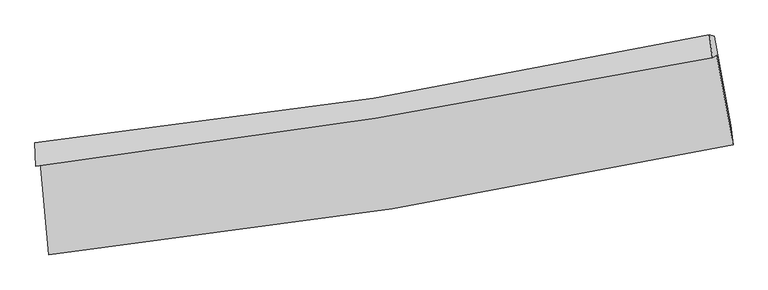
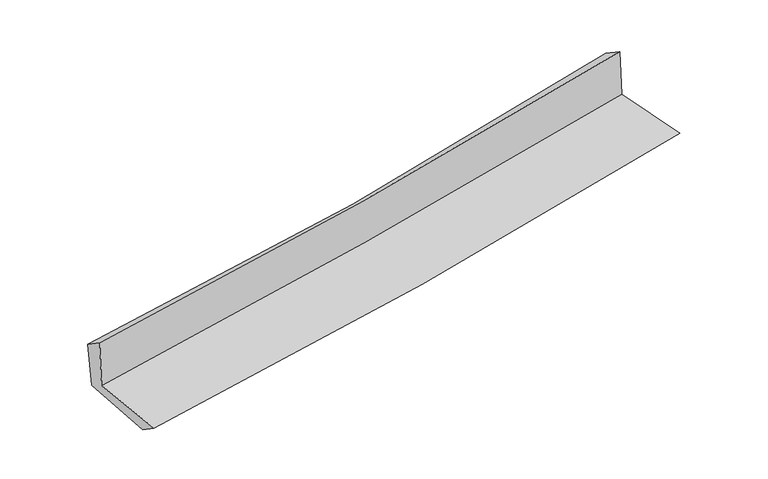
"""IFC4 building model written with IfcOpenShell, lengths in millimetres: proxy geometry."""

from ifc_helpers import new_model, si_unit, frame, origin, place, context, project, spatial, source, transform, mapped, element, save
from ifc_brep_helpers import plane_surface, spline_curve, spline_surface, advanced_brep


def generic_models_6b7efc74(model_context):
    return source(origin(), model_context, "Body", "AdvancedBrep", [
        advanced_brep(
        [(-2469.6507335, -1866.6091293, 1654.8077501), (-2408.2598171, -2534.5635867, 1654.3866055), (2540.4101641, -1741.5998235, 2104.9999638), (2421.9925244, -1092.2127784, 2103.9617443), (-2501.5730633, -1894.6408411, 2072.3045437), (2390.9085093, -1112.8262977, 2510.6969618), (-2507.5477436, -1724.8224828, 1955.8283534), (2369.7075101, -946.1351063, 2403.0950162), (-2475.7484365, -1733.3492088, 1580.461716), (2404.9291219, -954.7930127, 2010.4150885), (-2413.8552155, -2378.0339661, 1548.0930487), (2525.1414792, -1600.3947123, 1982.4413999)],
        [
            (0, 1),
            (1, 2, spline_curve(3, [(-2408.2598171, -2534.5635867, 1654.3866055), (-1576.319967682, -2444.563696714, 1732.141745417), (-748.053602618, -2333.503208829, 1808.562212021), (901.506392919, -2069.201075031, 1958.767876777), (1722.796688206, -1915.940308572, 2032.551862541), (2540.4101641, -1741.5998235, 2104.9999638)], [4, 2, 4], [0.0, 8.206637087543005, 16.41699868191113])),
            (2, 3),
            (3, 0, spline_curve(3, [(2421.9925244, -1092.2127784, 2103.9617443), (1610.925856465, -1251.823920476, 2033.043337404), (797.662606186, -1396.173699816, 1960.145693726), (-832.88713912, -1654.291973769, 1810.425900443), (-1650.171641046, -1768.074311575, 1733.605545994), (-2469.6507335, -1866.6091293, 1654.8077501)], [4, 2, 4], [0.0, 8.210361594368127, 16.41699868191113])),
            (4, 0),
            (3, 5),
            (5, 4, spline_curve(3, [(2390.9085093, -1112.8262977, 2510.6969618), (1580.482798446, -1273.182071992, 2432.93445315), (767.470062398, -1418.522546174, 2357.512740246), (-863.359475056, -1679.113774174, 2211.384057211), (-1681.173929866, -1794.37814783, 2140.674964318), (-2501.5730633, -1894.6408411, 2072.3045437)], [4, 2, 4], [0.0, 8.161934767288464, 16.320166995852222])),
            (6, 4),
            (5, 7),
            (7, 6, spline_curve(3, [(2369.7075101, -946.1351063, 2403.0950162), (1563.848964993, -1122.023603231, 2322.998636592), (754.388729256, -1274.867961231, 2245.670396872), (-871.366288764, -1534.409517455, 2096.584020193), (-1687.657804682, -1641.127618351, 2024.823372342), (-2507.5477436, -1724.8224828, 1955.8283534)], [4, 2, 4], [0.0, 8.151769966625274, 16.299842005634503])),
            (8, 6),
            (7, 9),
            (9, 8, spline_curve(3, [(2404.9291219, -954.7930127, 2010.4150885), (1598.01069321, -1130.539802598, 1939.056966229), (787.735314667, -1283.302386233, 1867.5402928), (-839.160249621, -1542.800270361, 1724.222358386), (-1655.7773907, -1649.556418527, 1652.421240782), (-2475.7484365, -1733.3492088, 1580.461716)], [4, 2, 4], [0.0, 8.1423762536074, 16.281058840915122])),
            (10, 8),
            (9, 11),
            (11, 10, spline_curve(3, [(2525.1414792, -1600.3947123, 1982.4413999), (1708.583164696, -1770.189464586, 1910.70066114), (888.626803494, -1919.900258475, 1838.626308301), (-757.708510173, -2179.095125664, 1693.843222082), (-1584.084380571, -2288.597416437, 1621.134790837), (-2413.8552155, -2378.0339661, 1548.0930487)], [4, 2, 4], [0.0, 8.190645649790822, 16.377575736597702])),
            (1, 10),
            (11, 2),
        ],
        [
            spline_surface(3, 3, [[(-2469.6507335, -1866.6091293, 1654.8077501), (-1650.171641178, -1768.074311466, 1733.605545908), (-832.887139011, -1654.29197376, 1810.425900404), (797.662606077, -1396.173699825, 1960.145693764), (1610.925856517, -1251.82392057, 2033.043337337), (2421.9925244, -1092.2127784, 2103.9617443)], [(-2449.187094697, -2089.26061511, 1654.667368565), (-1625.554416673, -1993.570773228, 1733.1176124), (-804.609293521, -1880.695718759, 1809.804670987), (832.277201712, -1620.516158222, 1959.686421402), (1648.216133756, -1473.196049923, 2032.87951246), (2461.46507097, -1308.675126785, 2104.307817493)], [(-2428.723455903, -2311.91210089, 1654.526987035), (-1600.937192178, -2219.067234962, 1732.629678895), (-776.331448101, -2107.0994638, 1809.183441553), (866.891797278, -1844.858616663, 1959.227149024), (1685.506410985, -1694.56817922, 2032.715687503), (2500.93761753, -1525.137475115, 2104.653890607)], [(-2408.2598171, -2534.5635867, 1654.3866055), (-1576.319967673, -2444.563696724, 1732.141745386), (-748.053602611, -2333.503208799, 1808.562212136), (901.506392913, -2069.20107506, 1958.767876662), (1722.796688225, -1915.940308573, 2032.551862626), (2540.4101641, -1741.5998235, 2104.9999638)]], [4, 4], [4, 2, 4], [0.0, 2.2397317179617433], [0.0, 8.206637087543005, 16.41699868191113]),
            spline_surface(3, 3, [[(-2501.5730633, -1894.6408411, 2072.3045437), (-1681.173929945, -1794.378147805, 2140.674964322), (-863.359475053, -1679.113774161, 2211.384057339), (767.470062395, -1418.522546187, 2357.512740118), (1580.482798402, -1273.182072058, 2432.934453139), (2390.9085093, -1112.8262977, 2510.6969618)], [(-2490.93228672, -1885.296937163, 1933.138945809), (-1670.839833709, -1785.610202355, 2004.98515816), (-853.20202973, -1670.839840705, 2077.731338363), (777.534243598, -1411.072930744, 2225.057058003), (1590.63048445, -1266.062688235, 2299.637414515), (2401.269847676, -1105.955124606, 2375.118555943)], [(-2480.29151008, -1875.953033237, 1793.973347991), (-1660.505737414, -1776.842256916, 1869.295352071), (-843.044584334, -1662.565907217, 1944.07861938), (787.598424874, -1403.623315268, 2092.60137588), (1600.778170469, -1258.943304393, 2166.340375962), (2411.631186024, -1099.083951494, 2239.540150157)], [(-2469.6507335, -1866.6091293, 1654.8077501), (-1650.171641178, -1768.074311466, 1733.605545908), (-832.887139011, -1654.29197376, 1810.425900404), (797.662606077, -1396.173699825, 1960.145693764), (1610.925856517, -1251.82392057, 2033.043337337), (2421.9925244, -1092.2127784, 2103.9617443)]], [4, 4], [4, 2, 4], [0.0, 1.3156389975678628], [0.0, 8.158232228563758, 16.320166995852222]),
            spline_surface(3, 3, [[(-2507.5477436, -1724.8224828, 1955.8283534), (-1687.657804558, -1641.127618341, 2024.823372324), (-871.36628886, -1534.409517496, 2096.58402016), (754.388729352, -1274.867961191, 2245.670396906), (1563.848964858, -1122.023603167, 2322.998636617), (2369.7075101, -946.1351063, 2403.0950162)], [(-2505.556183472, -1781.428602243, 1994.653750191), (-1685.496512992, -1692.211128172, 2063.440569681), (-868.69735091, -1582.644269727, 2134.850699219), (758.749173714, -1322.752822865, 2282.951177977), (1569.393576037, -1172.409759443, 2359.643908786), (2376.774509831, -1001.698836745, 2438.962331395)], [(-2503.564623428, -1838.034721657, 2033.479146909), (-1683.335221511, -1743.294637974, 2102.057766965), (-866.028413003, -1630.87902193, 2173.117378279), (763.109618033, -1370.637684513, 2320.231959047), (1574.938187223, -1222.795915782, 2396.28918097), (2383.841509569, -1057.262567255, 2474.829646605)], [(-2501.5730633, -1894.6408411, 2072.3045437), (-1681.173929945, -1794.378147805, 2140.674964322), (-863.359475053, -1679.113774161, 2211.384057339), (767.470062395, -1418.522546187, 2357.512740118), (1580.482798402, -1273.182072058, 2432.934453139), (2390.9085093, -1112.8262977, 2510.6969618)]], [4, 4], [4, 2, 4], [0.0, 0.6026428594117333], [0.0, 8.148072039009229, 16.299842005634503]),
            spline_surface(3, 3, [[(-2475.7484365, -1733.3492088, 1580.461716), (-1655.777390686, -1649.55641841, 1652.421240756), (-839.160249704, -1542.800270239, 1724.222358269), (787.73531475, -1283.302386356, 1867.540292917), (1598.010693197, -1130.539802488, 1939.05696624), (2404.9291219, -954.7930127, 2010.4150885)], [(-2486.348205543, -1730.506966789, 1705.583928444), (-1666.40419532, -1646.746818376, 1776.555284589), (-849.895596091, -1540.00335265, 1848.342912248), (776.619786283, -1280.490911293, 1993.583660929), (1586.623450403, -1127.701069385, 2067.037523038), (2393.188584619, -951.907043904, 2141.308397739)], [(-2496.947974557, -1727.664724811, 1830.706140956), (-1677.030999924, -1643.937218375, 1900.689328491), (-860.630942473, -1537.206435084, 1972.46346618), (765.504257819, -1277.679436253, 2119.627028894), (1575.236207652, -1124.86233627, 2195.018079819), (2381.448047381, -949.021075096, 2272.201706961)], [(-2507.5477436, -1724.8224828, 1955.8283534), (-1687.657804558, -1641.127618341, 2024.823372324), (-871.36628886, -1534.409517496, 2096.58402016), (754.388729352, -1274.867961191, 2245.670396906), (1563.848964858, -1122.023603167, 2322.998636617), (2369.7075101, -946.1351063, 2403.0950162)]], [4, 4], [4, 2, 4], [0.0, 1.2361216019461077], [0.0, 8.138682587307722, 16.281058840915122]),
            spline_surface(3, 3, [[(-2413.8552155, -2378.0339661, 1548.0930487), (-1584.084380572, -2288.597416472, 1621.134790946), (-757.708510256, -2179.095125653, 1693.843222027), (888.626803577, -1919.900258486, 1838.626308356), (1708.583164787, -1770.189464714, 1910.700661036), (2525.1414792, -1600.3947123, 1982.4413999)], [(-2434.486289166, -2163.139047005, 1558.882604462), (-1607.982050609, -2075.583750457, 1631.563607545), (-784.859090071, -1966.996840514, 1703.96960077), (854.996307303, -1707.700967775, 1848.264303205), (1671.725674256, -1556.972910651, 1920.152762778), (2485.070693432, -1385.194145779, 1991.765962774)], [(-2455.117362834, -1948.244127895, 1569.672160238), (-1631.879720649, -1862.570084425, 1641.992424158), (-812.00966989, -1754.898555378, 1714.095979526), (821.365811024, -1495.501677067, 1857.902298067), (1634.868183728, -1343.756356551, 1929.604864498), (2444.999907668, -1169.993579221, 2001.090525626)], [(-2475.7484365, -1733.3492088, 1580.461716), (-1655.777390686, -1649.55641841, 1652.421240756), (-839.160249704, -1542.800270239, 1724.222358269), (787.73531475, -1283.302386356, 1867.540292917), (1598.010693197, -1130.539802488, 1939.05696624), (2404.9291219, -954.7930127, 2010.4150885)]], [4, 4], [4, 2, 4], [0.0, 2.1116379372921448], [0.0, 8.18693008680688, 16.377575736597702]),
            spline_surface(3, 3, [[(-2408.2598171, -2534.5635867, 1654.3866055), (-1576.319967673, -2444.563696724, 1732.141745386), (-748.053602611, -2333.503208799, 1808.562212136), (901.506392913, -2069.20107506, 1958.767876662), (1722.796688225, -1915.940308573, 2032.551862626), (2540.4101641, -1741.5998235, 2104.9999638)], [(-2410.124949903, -2482.38704649, 1618.955419929), (-1578.908105309, -2392.57493663, 1695.139427269), (-751.271905173, -2282.033847754, 1770.322548747), (897.213196454, -2019.434136206, 1918.720687207), (1718.058847083, -1867.356693933, 1991.934795419), (2535.320602471, -1694.53145308, 2064.147109156)], [(-2411.990082697, -2430.21050631, 1583.524234271), (-1581.496242936, -2340.586176566, 1658.137109063), (-754.490207695, -2230.564486698, 1732.082885416), (892.920000036, -1969.667197341, 1878.673497811), (1713.321005928, -1818.773079354, 1951.317728243), (2530.231040829, -1647.46308272, 2023.294254544)], [(-2413.8552155, -2378.0339661, 1548.0930487), (-1584.084380572, -2288.597416472, 1621.134790946), (-757.708510256, -2179.095125653, 1693.843222027), (888.626803577, -1919.900258486, 1838.626308356), (1708.583164787, -1770.189464714, 1910.700661036), (2525.1414792, -1600.3947123, 1982.4413999)]], [4, 4], [4, 2, 4], [0.0, 0.6308821270713569], [0.0, 8.244819604614635, 16.493381044838877]),
            plane_surface(frame((2442.1815515, -1241.3269551, 2185.9350291), z_axis=(0.9802780421128151, 0.17889085548412054, 0.08398227179366878), x_axis=(-0.08931528974443759, 0.021954799260599456, 0.9957614000388316))),
            plane_surface(frame((-2462.7725016, -2022.0032025, 1744.3136696), z_axis=(-0.9924537035460312, -0.09116356008113748, -0.08200519270814151), x_axis=(-0.0915230719784606, 0.9958027581286919, 0.0006278526225655435))),
        ],
        [
            (0, [[1, 2, 3, 4]]),
            (1, [[5, -4, 6, 7]]),
            (2, [[8, -7, 9, 10]]),
            (3, [[11, -10, 12, 13]]),
            (4, [[14, -13, 15, 16]]),
            (5, [[17, -16, 18, -2]]),
            (6, [[-12, -9, -6, -3, -18, -15]]),
            (7, [[-1, -5, -8, -11, -14, -17]]),
        ],
    ),
    ])


if __name__ == "__main__":
    model = new_model("IFC4")
    model_context = context("Model", 3, world=origin())
    ifc_project = project(units=[si_unit("LENGTHUNIT", "METRE", prefix="MILLI")], contexts=[model_context])
    site = spatial("IfcSite", under=ifc_project)
    building = spatial("IfcBuilding", under=site)
    placement = place(None, origin())
    generic_models_shape = generic_models_6b7efc74(model_context)
    element("IfcBuildingElementProxy", 1, Name="Generic Models", at=placement, inside=building, context=model_context, shape_type="MappedRepresentation", body=[
        mapped(generic_models_shape, transform((0.0, 0.0, 0.0), x_axis=(1.0, 0.0, 0.0), y_axis=(0.0, 1.0, 0.0), z_axis=(0.0, 0.0, 1.0))),
    ])
    save(model, "model.ifc")
